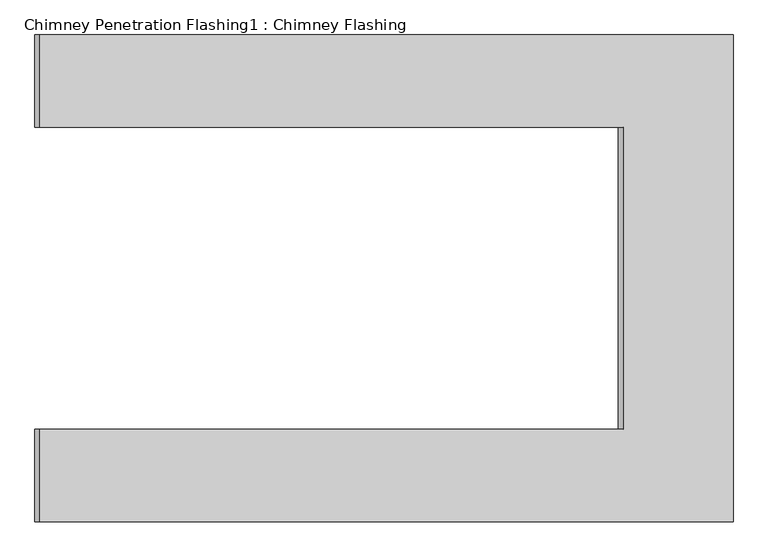
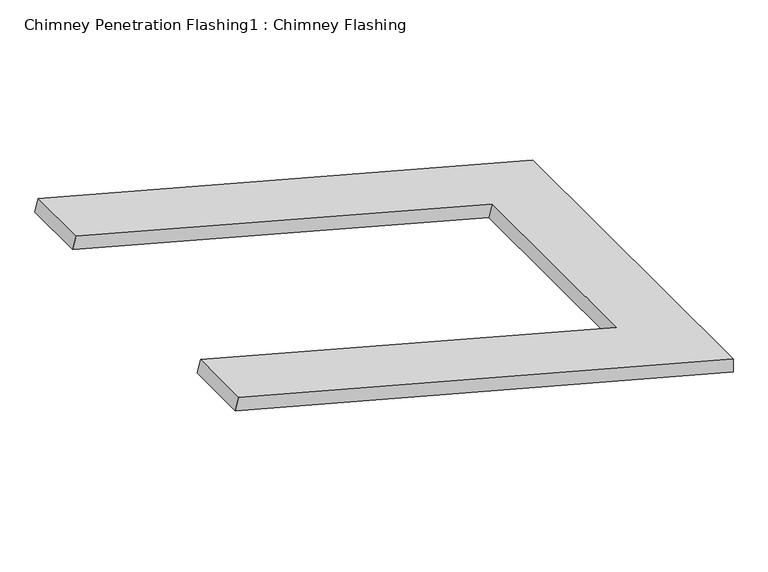
"""IFC4 building model written with IfcOpenShell, lengths in millimetres: proxy geometry, Chimney Penetration Flashing1 : Chimney Flashing."""

from ifc_helpers import new_model, si_unit, origin, place, context, project, spatial, faceted_brep, source, transform, mapped, element, save


def chimney_penetration_flashing1_chimney_flashing_729c0199(model_context):
    return source(origin(), model_context, "Body", "Brep", [
        faceted_brep([(11226.0325254, -12056.559391, 6876.3272044), (11226.0325254, -12056.559391, 6915.1260589), (9848.4395178, -12056.559391, 7284.2509927), (9838.7492993, -12056.559391, 7248.0486245), (11226.0325254, -11089.2324935, 6876.3272044), (9838.7492993, -11089.2324935, 7248.0486245), (9848.4395178, -11089.2324935, 7284.2509927), (11226.0325254, -11089.2324935, 6915.1260589), (9848.4395178, -11272.8959422, 7284.2509927), (11007.550479, -11272.8959422, 6973.6681468), (11007.550479, -11872.8959422, 6973.6681468), (9848.4395178, -11872.8959422, 7284.2509927), (9838.7492993, -11872.8959422, 7248.0486245), (9838.7492993, -11272.8959422, 7248.0486245), (10997.8507654, -11872.8959422, 6937.4683227), (10997.8507654, -11272.8959422, 6937.4683227)], [[[0, 1, 2, 3]], [[4, 5, 6, 7]], [[1, 0, 4, 7]], [[2, 1, 7, 6, 8, 9, 10, 11]], [[3, 2, 11, 12]], [[6, 5, 13, 8]], [[0, 3, 12, 14, 15, 13, 5, 4]], [[15, 9, 8, 13]], [[9, 15, 14, 10]], [[10, 14, 12, 11]]]),
    ])


if __name__ == "__main__":
    model = new_model("IFC4")
    model_context = context("Model", 3, world=origin())
    ifc_project = project(units=[si_unit("LENGTHUNIT", "METRE", prefix="MILLI")], contexts=[model_context])
    site = spatial("IfcSite", under=ifc_project)
    building = spatial("IfcBuilding", under=site)
    placement = place(None, origin())
    chimney_penetration_flashing1_chimney_flashing_shape = chimney_penetration_flashing1_chimney_flashing_729c0199(model_context)
    element("IfcBuildingElementProxy", 1, Name="Chimney Penetration Flashing1 : Chimney Flashing", ObjectType="Chimney Penetration Flashing1 : Chimney Flashing", at=placement, inside=building, context=model_context, shape_type="MappedRepresentation", body=[
        mapped(chimney_penetration_flashing1_chimney_flashing_shape, transform((0.0, 0.0, 0.0), x_axis=(1.0, 0.0, 0.0), y_axis=(0.0, 1.0, 0.0), z_axis=(0.0, 0.0, 1.0))),
    ])
    save(model, "model.ifc")
